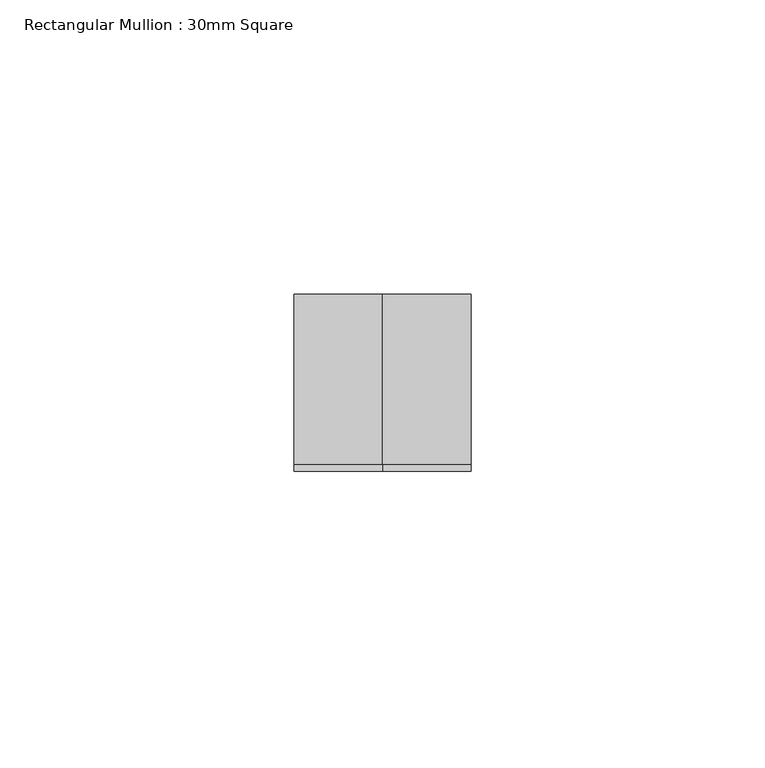
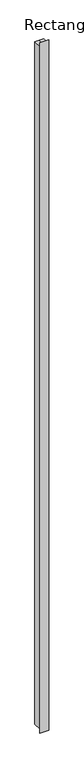
"""IFC4 building model written with IfcOpenShell, lengths in millimetres: member geometry, Rectangular Mullion : 30mm Square."""

from ifc_helpers import new_model, si_unit, origin, place, context, project, spatial, faceted_brep, source, transform, mapped, element, save


def rectangular_mullion_30mm_square_8ac713fb(model_context):
    return source(origin(), model_context, "Body", "Brep", [
        faceted_brep([(-15.0, 15.0, 1.0652204), (0.0, 15.0, 1.0652204), (15.0, 15.0, 1.0652204), (15.0, 15.0, -2471.0652204), (0.0, 15.0, -2471.0652204), (-15.0, 15.0, -2471.0652204), (-15.0, -15.0, 14.447782), (-15.0, -13.8564546, -1.0623369), (-15.0, -13.8564546, -2468.9376631), (-15.0, -15.0, -2484.447782), (15.0, -15.0, 14.447782), (0.0, -15.0, 14.447782), (0.0, -15.0, -2484.447782), (15.0, -15.0, -2484.447782), (15.0, -13.8564546, -1.0623369), (15.0, -13.8564546, -2468.9376631), (0.0, -13.8564546, -1.0623369), (0.0, -13.8564546, -2468.9376631)], [[[0, 1, 2, 3, 4, 5]], [[6, 7, 0, 5, 8, 9]], [[10, 11, 6, 9, 12, 13]], [[2, 14, 10, 13, 15, 3]], [[2, 1, 16, 14]], [[1, 0, 7, 16]], [[7, 6, 11, 16]], [[11, 10, 14, 16]], [[3, 15, 17, 4]], [[15, 13, 12, 17]], [[12, 9, 8, 17]], [[8, 5, 4, 17]]]),
    ])


if __name__ == "__main__":
    model = new_model("IFC4")
    model_context = context("Model", 3, world=origin())
    ifc_project = project(units=[si_unit("LENGTHUNIT", "METRE", prefix="MILLI")], contexts=[model_context])
    site = spatial("IfcSite", under=ifc_project)
    building = spatial("IfcBuilding", under=site)
    placement = place(None, origin())
    rectangular_mullion_30mm_square_shape = rectangular_mullion_30mm_square_8ac713fb(model_context)
    element("IfcMember", 1, ObjectType="Rectangular Mullion : 30mm Square", at=placement, inside=building, context=model_context, shape_type="MappedRepresentation", body=[
        mapped(rectangular_mullion_30mm_square_shape, transform((0.0, 0.0, 0.0), x_axis=(1.0, 0.0, 0.0), y_axis=(0.0, 1.0, 0.0), z_axis=(0.0, 0.0, 1.0))),
    ])
    save(model, "model.ifc")
